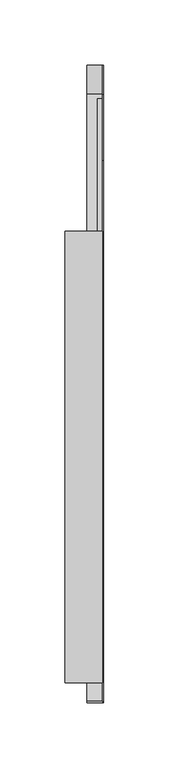
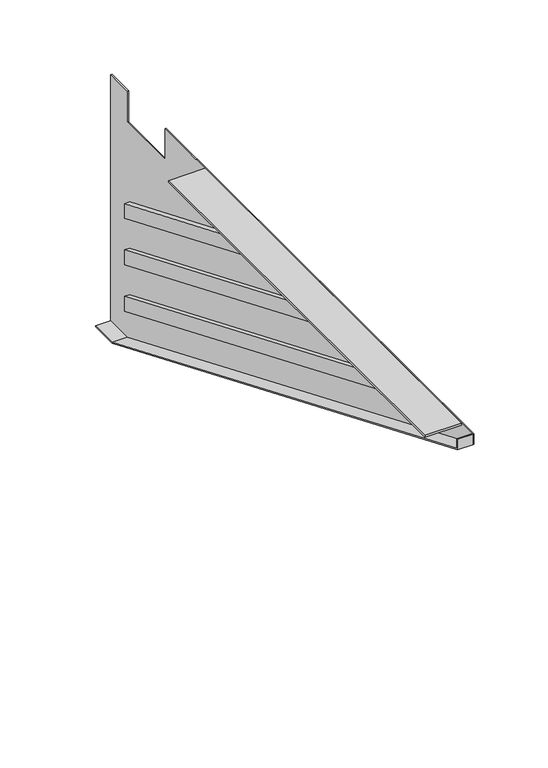
"""IFC4 building model written with IfcOpenShell, lengths in millimetres: furniture geometry."""

from ifc_helpers import new_model, si_unit, frame, origin, place, context, project, spatial, polyline, outline, extrude, source, transform, mapped, element, save


def furniture_a90cb1d3(model_context):
    return source(origin(), model_context, "Body", "SweptSolid", [
        extrude(outline(polyline([(-14.2240001, 142.9801747), (-221.0978053, 229.5156221), (-193.0308048, 229.5156221), (-14.2240001, 155.1721721), (-14.2240001, 142.9801747)])), frame((-6.4262, 0.0, 0.0), z_axis=(1.0, 0.0, 0.0), x_axis=(0.0, 1.0, 0.0)), (0.0, 0.0, 1.0), 3.9243),
        extrude(outline(polyline([(-282.9367633, 229.0233375), (-14.2240001, 117.0721721), (-14.2240001, 104.8801656), (-311.0037638, 229.0233375), (-282.9367633, 229.0233375)])), frame((-6.4262, 0.0, 0.0), z_axis=(1.0, 0.0, 0.0), x_axis=(0.0, 1.0, 0.0)), (0.0, 0.0, 1.0), 3.9243),
        extrude(outline(polyline([(-14.2240001, 78.9721721), (-14.2240001, 66.7801656), (-403.2634303, 229.5156221), (-375.1964298, 229.5156221), (-14.2240001, 78.9721721)])), frame((-6.4262, 0.0, 0.0), z_axis=(1.0, 0.0, 0.0), x_axis=(0.0, 1.0, 0.0)), (0.0, 0.0, 1.0), 3.9243),
        extrude(outline(polyline([(-10.835097, 42.0278719), (11.1759996, 42.0278719), (11.1759996, 41.1134719), (-11.0186387, 41.1134719), (-476.2500004, 235.7200537), (-476.2500004, 244.3134719), (-475.3356004, 244.3134719), (-475.3356004, 236.3287352), (-10.835097, 42.0278719)])), frame((-14.3002, 0.0, 0.0), z_axis=(1.0, 0.0, 0.0), x_axis=(0.0, 1.0, 0.0)), (0.0, 0.0, 1.0), 11.7983),
        extrude(outline(polyline([(-2.5019, -115.8239997), (-2.5019, -461.2640004), (-31.0388, -461.2640004), (-31.0388, -115.8239997), (-2.5019, -115.8239997)])), frame((0.0, 0.0, 242.7894719), z_axis=(0.0, 0.0, 1.0), x_axis=(1.0, 0.0, 0.0)), (0.0, 0.0, 1.0), 1.524),
        extrude(outline(polyline([(-11.0489997, 244.3134719), (11.1759996, 244.3134719), (11.1759996, 41.1134719), (-11.0186387, 41.1134719), (-476.2500004, 235.7200537), (-476.2500004, 244.3134719), (-61.8489997, 244.3134719), (-61.8489997, 218.9134719), (-11.0489997, 218.9134719), (-11.0489997, 244.3134719)])), frame((-2.5019, 0.0, 0.0), z_axis=(1.0, 0.0, 0.0), x_axis=(0.0, 1.0, 0.0)), (0.0, 0.0, 1.0), 0.9144),
    ])


if __name__ == "__main__":
    model = new_model("IFC4")
    model_context = context("Model", 3, world=origin())
    ifc_project = project(units=[si_unit("LENGTHUNIT", "METRE", prefix="MILLI")], contexts=[model_context])
    site = spatial("IfcSite", under=ifc_project)
    building = spatial("IfcBuilding", under=site)
    placement = place(None, origin())
    furniture_shape = furniture_a90cb1d3(model_context)
    element("IfcFurniture", 1, at=placement, inside=building, context=model_context, shape_type="MappedRepresentation", body=[
        mapped(furniture_shape, transform((0.0, 0.0, 0.0), x_axis=(1.0, 0.0, 0.0), y_axis=(0.0, 1.0, 0.0), z_axis=(0.0, 0.0, 1.0))),
    ])
    save(model, "model.ifc")
